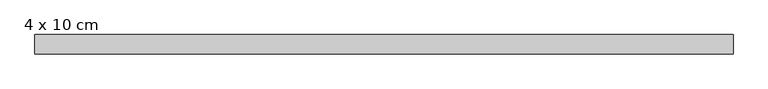
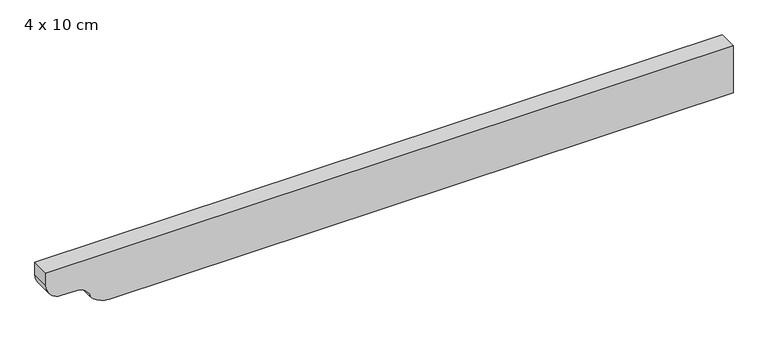
"""IFC4 building model written with IfcOpenShell, lengths in millimetres: beam geometry, 4 x 10 cm."""

from ifc_helpers import new_model, si_unit, point, frame, frame_2d, origin, place, context, project, spatial, polyline, circle_curve, trimmed, segment, composite_curve, outline, extrude, source, transform, mapped, element, save


def beam_4_x_10_cm_447ef3c1(model_context):
    return source(origin(), model_context, "Body", "SweptSolid", [
        extrude(outline(composite_curve([segment(polyline([(50.0, 698.8096622), (50.0, -738.5379082), (22.5, -738.5379082)]), True, "CONTINUOUS"), segment(trimmed(circle_curve(frame_2d((22.5, -706.0379082)), 32.5), [point((22.5, -738.5379082))], [point((-10.0, -706.0379082))], False, "CARTESIAN"), True, "CONTINUOUS"), segment(polyline([(-10.0, -706.0379082), (-10.0, -675.027703)]), True, "CONTINUOUS"), segment(trimmed(circle_curve(frame_2d((-40.0, -675.027703)), 30.0), [point((-10.0, -675.027703))], [point((-34.0, -645.6338261))], True, "CARTESIAN"), True, "CONTINUOUS"), segment(trimmed(circle_curve(frame_2d((-3.1535049, -606.282921)), 50.0), [point((-34.0, -645.6338261))], [point((-53.1535049, -606.282921))], False, "CARTESIAN"), True, "CONTINUOUS"), segment(polyline([(-53.1535049, -606.282921), (-53.1535049, 698.8096622), (50.0, 698.8096622)]), True, "CONTINUOUS")], self_intersect=False)), frame((0.0, -20.0, 0.0), z_axis=(0.0, 1.0, 0.0), x_axis=(0.0, 0.0, 1.0)), (0.0, 0.0, 1.0), 40.0),
    ])


if __name__ == "__main__":
    model = new_model("IFC4")
    model_context = context("Model", 3, world=origin())
    ifc_project = project(units=[si_unit("LENGTHUNIT", "METRE", prefix="MILLI")], contexts=[model_context])
    site = spatial("IfcSite", under=ifc_project)
    building = spatial("IfcBuilding", under=site)
    placement = place(None, origin())
    beam_4_x_10_cm_shape = beam_4_x_10_cm_447ef3c1(model_context)
    element("IfcBeam", 1, ObjectType="4 x 10 cm", at=placement, inside=building, context=model_context, shape_type="MappedRepresentation", body=[
        mapped(beam_4_x_10_cm_shape, transform((0.0, 0.0, 0.0), x_axis=(1.0, 0.0, 0.0), y_axis=(0.0, 1.0, 0.0), z_axis=(0.0, 0.0, 1.0))),
    ])
    save(model, "model.ifc")
